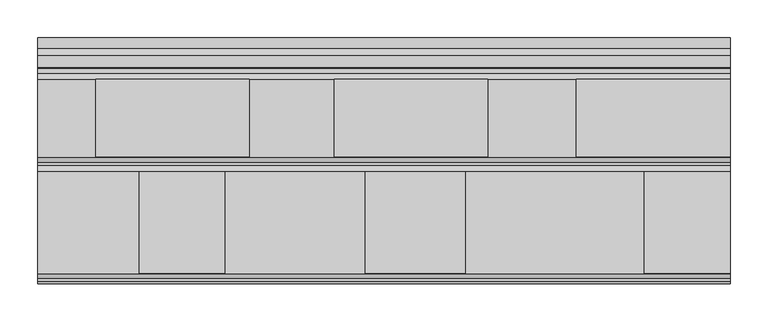
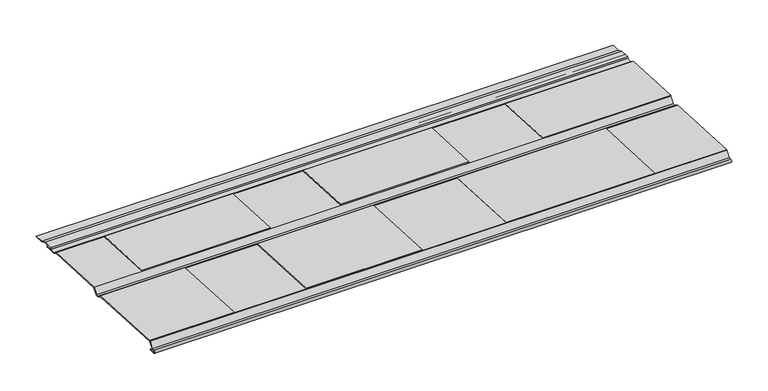
"""IFC4 building model written with IfcOpenShell, lengths in millimetres: proxy geometry."""

from ifc_helpers import new_model, si_unit, frame, origin, place, context, project, spatial, polyline, circle_curve, outline, extrude, source, transform, mapped, element, save
from ifc_brep_helpers import plane_surface, cylinder_surface, revolved_surface, advanced_brep


def generic_models_b10770b0(model_context):
    return source(origin(), model_context, "Body", "SolidModel", [
        advanced_brep(
        [(279.4, -442.6412368, 7.2583953), (76.2, -442.6412368, 7.2583953), (76.2, -545.4689318, 12.6444003), (279.4, -545.4689318, 12.6444003), (594.5196172, -442.6412368, 7.2583953), (391.3196172, -442.6412368, 7.2583953), (391.3196172, -545.4689318, 12.6444003), (594.5196172, -545.4689318, 12.6444003), (914.4, -442.6412368, 7.2583953), (711.2, -442.6412368, 7.2583953), (711.2, -545.4689318, 12.6444003), (914.4, -545.4689318, 12.6444003), (279.4, -545.5430903, 11.2285931), (279.4, -442.7153953, 5.8425881), (76.2, -545.5430903, 11.2285931), (76.2, -442.7153953, 5.8425881), (594.5196172, -545.5430903, 11.2285931), (594.5196172, -442.7153953, 5.8425881), (391.3196172, -545.5430903, 11.2285931), (391.3196172, -442.7153953, 5.8425881), (914.4, -545.5430903, 11.2285931), (914.4, -545.965628, 11.2507251), (914.4, -552.8205892, 2.4762546), (914.4, -556.6029159, 2.5421665), (914.4, -564.398702, 6.8631481), (914.4, -699.0218054, 13.9145627), (914.4, -699.7134657, 13.5920119), (914.4, -706.0769005, 5.1469434), (914.4, -709.7670825, 5.2112495), (914.4, -709.8555946, 0.1320207), (914.4, -699.6971369, -0.0450035), (914.4, -699.682975, 0.7676731), (914.4, -709.8414327, 0.9446973), (914.4, -709.7812444, 4.3985729), (914.4, -706.5051418, 4.3414826), (914.4, -705.1785279, 4.9885627), (914.4, -699.0643207, 13.1028754), (914.4, -564.6286101, 6.0612762), (914.4, -557.1741966, 1.9295077), (914.4, -556.4144548, 1.7259589), (914.4, -553.2399368, 1.6706388), (914.4, -551.9305938, 2.2952096), (914.4, -545.5856056, 10.4169058), (914.4, -442.7579106, 5.0309008), (914.4, -435.1131261, 0.793615), (914.4, -418.5305362, 0.504642), (914.4, -416.9285365, 2.0517642), (914.4, -416.8931316, 4.0834557), (914.4, -411.6615259, 3.9922883), (914.4, -401.9086423, 0.2488289), (914.4, -387.6541694, 0.0004263), (914.4, -387.6400074, 0.8131029), (914.4, -401.7511835, 1.0590084), (914.4, -411.5040672, 4.8024677), (914.4, -426.9866351, 5.0722715), (914.4, -427.0229251, 2.9897876), (914.4, -418.4898206, 2.8410873), (914.4, -418.5163742, 1.3173186), (914.4, -434.8963411, 1.6027607), (914.4, -442.5280025, 5.8327727), (914.4, -442.7153953, 5.8425881), (711.2, -545.5430903, 11.2285931), (711.2, -442.7153953, 5.8425881), (0.0, -442.5280025, 5.8327727), (0.0, -434.8963411, 1.6027607), (0.0, -418.5163742, 1.3173186), (0.0, -418.4898206, 2.8410873), (0.0, -427.0229251, 2.9897876), (0.0, -426.9866351, 5.0722715), (0.0, -411.5040672, 4.8024677), (0.0, -401.7511835, 1.0590084), (0.0, -387.6400074, 0.8131029), (0.0, -387.6541694, 0.0004263), (0.0, -401.9086423, 0.2488289), (0.0, -411.6615259, 3.9922883), (0.0, -416.8931316, 4.0834557), (0.0, -416.9285365, 2.0517642), (0.0, -418.5305362, 0.504642), (0.0, -435.1131261, 0.793615), (0.0, -442.7579106, 5.0309008), (0.0, -545.5856056, 10.4169058), (0.0, -551.9305938, 2.2952096), (0.0, -553.2399368, 1.6706388), (0.0, -556.4144548, 1.7259589), (0.0, -557.1741966, 1.9295077), (0.0, -564.6286101, 6.0612762), (0.0, -699.0643207, 13.1028754), (0.0, -705.1785279, 4.9885627), (0.0, -706.5051418, 4.3414826), (0.0, -709.7812444, 4.3985729), (0.0, -709.8414327, 0.9446973), (0.0, -699.682975, 0.7676731), (0.0, -699.6971369, -0.0450035), (0.0, -709.8555946, 0.1320207), (0.0, -709.7670825, 5.2112495), (0.0, -706.0769005, 5.1469434), (0.0, -699.7134657, 13.5920119), (0.0, -699.0218054, 13.9145627), (0.0, -564.398702, 6.8631481), (0.0, -556.6029159, 2.5421665), (0.0, -552.8205892, 2.4762546), (0.0, -545.965628, 11.2507251)],
        [
            (0, 1),
            (1, 2),
            (2, 3),
            (3, 0),
            (4, 5),
            (5, 6),
            (6, 7),
            (7, 4),
            (8, 9),
            (9, 10),
            (10, 11),
            (11, 8),
            (3, 12),
            (12, 13),
            (13, 0),
            (2, 14),
            (14, 12),
            (1, 15),
            (15, 14),
            (13, 15),
            (7, 16),
            (16, 17),
            (17, 4),
            (6, 18),
            (18, 16),
            (5, 19),
            (19, 18),
            (17, 19),
            (11, 20),
            (20, 21),
            (21, 22),
            (22, 23),
            (23, 24),
            (24, 25),
            (25, 26, circle_curve(frame((914.4, -699.0643207, 13.1028754), z_axis=(1.0, 0.0, 0.0), x_axis=(0.0, -0.9423352200993095, 0.3346704841487908)), 0.8128)),
            (26, 27),
            (27, 28),
            (28, 29, circle_curve(frame((914.4, -709.8113385, 2.6716351), z_axis=(1.0, 0.0, 0.0), x_axis=(0.0, -0.9423352200993095, 0.3346704841487908)), 2.54)),
            (29, 30),
            (30, 31),
            (31, 32),
            (32, 33, circle_curve(frame((914.4, -709.8113385, 2.6716351), z_axis=(-1.0, 0.0, 0.0), x_axis=(0.0, -0.9423352200993095, 0.3346704841487908)), 1.7272)),
            (33, 34),
            (34, 35, circle_curve(frame((914.4, -706.4768179, 5.9668358), z_axis=(1.0, 0.0, 0.0), x_axis=(0.0, -0.9423352200993095, 0.3346704841487908)), 1.6256)),
            (35, 36),
            (36, 37),
            (37, 38),
            (38, 39, circle_curve(frame((914.4, -556.3861309, 3.3513121), z_axis=(1.0, 0.0, 0.0), x_axis=(0.0, -0.9423352200993095, 0.3346704841487908)), 1.6256)),
            (39, 40),
            (40, 41, circle_curve(frame((914.4, -553.2116129, 3.2959921), z_axis=(1.0, 0.0, 0.0), x_axis=(0.0, -0.9423352200993095, 0.3346704841487908)), 1.6256)),
            (41, 42),
            (42, 43),
            (43, 44),
            (44, 45),
            (45, 46, circle_curve(frame((914.4, -418.5030974, 2.079203), z_axis=(1.0, 0.0, 0.0), x_axis=(0.0, -0.9423352200993095, 0.3346704841487908)), 1.5748)),
            (46, 47),
            (47, 48),
            (48, 49),
            (49, 50),
            (50, 51),
            (51, 52),
            (52, 53),
            (53, 54),
            (54, 55, circle_curve(frame((914.4, -427.0047801, 4.0310295), z_axis=(1.0, 0.0, 0.0), x_axis=(0.0, -0.9423352200993095, 0.3346704841487908)), 1.0414)),
            (55, 56),
            (56, 57, circle_curve(frame((914.4, -418.5030974, 2.079203), z_axis=(-1.0, 0.0, 0.0), x_axis=(0.0, -0.9423352200993095, 0.3346704841487908)), 0.762)),
            (57, 58),
            (58, 59),
            (59, 60),
            (60, 8),
            (10, 61),
            (61, 20),
            (9, 62),
            (62, 61),
            (60, 62),
            (63, 64),
            (64, 65),
            (65, 66, circle_curve(frame((0.0, -418.5030974, 2.079203), z_axis=(1.0, 0.0, 0.0), x_axis=(0.0, -0.9423352200993095, 0.3346704841487908)), 0.762)),
            (66, 67),
            (67, 68, circle_curve(frame((0.0, -427.0047801, 4.0310295), z_axis=(-1.0, 0.0, 0.0), x_axis=(0.0, -0.9423352200993095, 0.3346704841487908)), 1.0414)),
            (68, 69),
            (69, 70),
            (70, 71),
            (71, 72),
            (72, 73),
            (73, 74),
            (74, 75),
            (75, 76),
            (76, 77, circle_curve(frame((0.0, -418.5030974, 2.079203), z_axis=(-1.0, 0.0, 0.0), x_axis=(0.0, -0.9423352200993095, 0.3346704841487908)), 1.5748)),
            (77, 78),
            (78, 79),
            (79, 80),
            (80, 81),
            (81, 82, circle_curve(frame((0.0, -553.2116129, 3.2959921), z_axis=(-1.0, 0.0, 0.0), x_axis=(0.0, -0.9423352200993095, 0.3346704841487908)), 1.6256)),
            (82, 83),
            (83, 84, circle_curve(frame((0.0, -556.3861309, 3.3513121), z_axis=(-1.0, 0.0, 0.0), x_axis=(0.0, -0.9423352200993095, 0.3346704841487908)), 1.6256)),
            (84, 85),
            (85, 86),
            (86, 87),
            (87, 88, circle_curve(frame((0.0, -706.4768179, 5.9668358), z_axis=(-1.0, 0.0, 0.0), x_axis=(0.0, -0.9423352200993095, 0.3346704841487908)), 1.6256)),
            (88, 89),
            (89, 90, circle_curve(frame((0.0, -709.8113385, 2.6716351), z_axis=(1.0, 0.0, 0.0), x_axis=(0.0, -0.9423352200993095, 0.3346704841487908)), 1.7272)),
            (90, 91),
            (91, 92),
            (92, 93),
            (93, 94, circle_curve(frame((0.0, -709.8113385, 2.6716351), z_axis=(-1.0, 0.0, 0.0), x_axis=(0.0, -0.9423352200993095, 0.3346704841487908)), 2.54)),
            (94, 95),
            (95, 96),
            (96, 97, circle_curve(frame((0.0, -699.0643207, 13.1028754), z_axis=(-1.0, 0.0, 0.0), x_axis=(0.0, -0.9423352200993095, 0.3346704841487908)), 0.8128)),
            (97, 98),
            (98, 99),
            (99, 100),
            (100, 101),
            (101, 63),
            (63, 59),
            (58, 64),
            (57, 65),
            (56, 66),
            (55, 67),
            (54, 68),
            (53, 69),
            (52, 70),
            (51, 71),
            (50, 72),
            (49, 73),
            (48, 74),
            (47, 75),
            (46, 76),
            (45, 77),
            (44, 78),
            (43, 79),
            (42, 80),
            (41, 81),
            (40, 82),
            (39, 83),
            (38, 84),
            (37, 85),
            (36, 86),
            (35, 87),
            (34, 88),
            (33, 89),
            (32, 90),
            (31, 91),
            (30, 92),
            (29, 93),
            (28, 94),
            (27, 95),
            (26, 96),
            (25, 97),
            (24, 98),
            (23, 99),
            (22, 100),
            (21, 101),
        ],
        [
            plane_surface(frame((279.4, -442.6412368, 7.2583953), z_axis=(0.0, 0.052307228592566875, 0.9986310398925947), x_axis=(0.0, 0.9986310398925947, -0.052307228592566875))),
            plane_surface(frame((279.4, -442.7153953, 5.8425881), z_axis=(1.0, 0.0, 0.0), x_axis=(0.0, 0.052307228592578865, 0.998631039892594))),
            plane_surface(frame((279.4, -545.5430903, 11.2285931), z_axis=(0.0, -0.998631039892594, 0.052307228592578865), x_axis=(0.0, 0.052307228592578865, 0.998631039892594))),
            plane_surface(frame((76.2, -545.5430903, 11.2285931), z_axis=(-1.0, 0.0, 0.0), x_axis=(0.0, 0.052307228592578865, 0.998631039892594))),
            plane_surface(frame((76.2, -442.7153953, 5.8425881), z_axis=(0.0, 0.998631039892594, -0.052307228592578865), x_axis=(0.0, 0.052307228592578865, 0.998631039892594))),
            plane_surface(frame((594.5196172, -442.7153953, 5.8425881), z_axis=(1.0, 0.0, 0.0), x_axis=(0.0, 0.052307228592531105, 0.9986310398925965))),
            plane_surface(frame((594.5196172, -545.5430903, 11.2285931), z_axis=(0.0, -0.9986310398925965, 0.052307228592531105), x_axis=(0.0, 0.052307228592531105, 0.9986310398925965))),
            plane_surface(frame((391.3196172, -545.5430903, 11.2285931), z_axis=(-1.0, 0.0, 0.0), x_axis=(0.0, 0.052307228592531105, 0.9986310398925965))),
            plane_surface(frame((391.3196172, -442.7153953, 5.8425881), z_axis=(0.0, 0.9986310398925965, -0.052307228592531146), x_axis=(0.0, 0.052307228592531146, 0.9986310398925965))),
            plane_surface(frame((914.4, -442.7153953, 5.8425881), z_axis=(1.0, 0.0, 0.0), x_axis=(0.0, 0.052307228592531105, 0.9986310398925965))),
            plane_surface(frame((914.4, -545.5430903, 11.2285931), z_axis=(0.0, -0.9986310398925965, 0.052307228592531105), x_axis=(0.0, 0.052307228592531105, 0.9986310398925965))),
            plane_surface(frame((711.2, -545.5430903, 11.2285931), z_axis=(-1.0, 0.0, 0.0), x_axis=(0.0, 0.05230722859253119, 0.9986310398925965))),
            plane_surface(frame((711.2, -442.7153953, 5.8425881), z_axis=(0.0, 0.9986310398925965, -0.052307228592531146), x_axis=(0.0, 0.052307228592531146, 0.9986310398925965))),
            plane_surface(frame((0.0, -127.392394, -480.8784473), z_axis=(-1.0, 0.0, 0.0), x_axis=(0.0, 0.3346704841487908, 0.9423352200993095))),
            plane_surface(frame((0.0, -442.5280025, 5.8327727), z_axis=(0.0, 0.4847844598143017, 0.874633653321524), x_axis=(1.0, 0.0, 0.0))),
            plane_surface(frame((0.0, -434.8963411, 1.6027607), z_axis=(0.0, 0.017423643758456994, 0.999848196796983), x_axis=(1.0, 0.0, 0.0))),
            revolved_surface(polyline([(914.4, -419.2211568377157, 2.3342219089213785), (0.0, -419.2211568377157, 2.3342219089213785)]), (0.0, -418.5030974, 2.079203), (1.0, 0.0, 0.0)),
            plane_surface(frame((0.0, -418.4898206, 2.8410873), z_axis=(0.0, -0.017423643758455662, -0.999848196796983), x_axis=(1.0, 0.0, 0.0))),
            cylinder_surface(frame((0.0, -427.0047801, 4.0310295), z_axis=(-1.0, 0.0, 0.0), x_axis=(0.0, -0.9423352200993095, 0.3346704841487908)), 1.0414),
            plane_surface(frame((0.0, -426.9866351, 5.0722715), z_axis=(0.0, 0.017423643758451717, 0.9998481967969831), x_axis=(1.0, 0.0, 0.0))),
            plane_surface(frame((0.0, -411.5040672, 4.8024677), z_axis=(0.0, 0.3583410930394349, 0.9335907353007008), x_axis=(1.0, 0.0, 0.0))),
            plane_surface(frame((0.0, -401.7511835, 1.0590084), z_axis=(0.0, 0.017423643758453497, 0.9998481967969831), x_axis=(1.0, 0.0, 0.0))),
            plane_surface(frame((0.0, -387.6400074, 0.8131029), z_axis=(0.0, 0.9998481967969819, -0.01742364375852155), x_axis=(1.0, 0.0, 0.0))),
            plane_surface(frame((0.0, -387.6541694, 0.0004263), z_axis=(0.0, -0.01742364375845649, -0.999848196796983), x_axis=(1.0, 0.0, 0.0))),
            plane_surface(frame((0.0, -401.9086423, 0.2488289), z_axis=(0.0, -0.35834109303944106, -0.9335907353006984), x_axis=(1.0, 0.0, 0.0))),
            plane_surface(frame((0.0, -411.6615259, 3.9922883), z_axis=(0.0, -0.017423643758454496, -0.999848196796983), x_axis=(1.0, 0.0, 0.0))),
            plane_surface(frame((0.0, -416.8931316, 4.0834557), z_axis=(0.0, 0.9998481967969832, -0.01742364375844561), x_axis=(1.0, 0.0, 0.0))),
            cylinder_surface(frame((0.0, -418.5030974, 2.079203), z_axis=(-1.0, 0.0, 0.0), x_axis=(0.0, -0.9423352200993095, 0.3346704841487908)), 1.5748),
            plane_surface(frame((0.0, -418.5305362, 0.504642), z_axis=(0.0, -0.01742364375845899, -0.999848196796983), x_axis=(1.0, 0.0, 0.0))),
            plane_surface(frame((0.0, -435.1131261, 0.793615), z_axis=(0.0, -0.4847844598142926, -0.874633653321529), x_axis=(1.0, 0.0, 0.0))),
            plane_surface(frame((0.0, -442.7579106, 5.0309008), z_axis=(0.0, -0.052307228592566875, -0.9986310398925947), x_axis=(1.0, 0.0, 0.0))),
            plane_surface(frame((0.0, -545.5856056, 10.4169058), z_axis=(0.0, 0.7880284640469357, -0.6156388063238278), x_axis=(1.0, 0.0, 0.0))),
            cylinder_surface(frame((0.0, -553.2116129, 3.2959921), z_axis=(-1.0, 0.0, 0.0), x_axis=(0.0, -0.9423352200993095, 0.3346704841487908)), 1.6256),
            plane_surface(frame((0.0, -553.2399368, 1.6706388), z_axis=(0.0, -0.017423643758458767, -0.999848196796983), x_axis=(1.0, 0.0, 0.0))),
            cylinder_surface(frame((0.0, -556.3861309, 3.3513121), z_axis=(-1.0, 0.0, 0.0), x_axis=(0.0, -0.9423352200993095, 0.3346704841487908)), 1.6256),
            plane_surface(frame((0.0, -557.1741966, 1.9295077), z_axis=(0.0, -0.48478445981429374, -0.8746336533215284), x_axis=(1.0, 0.0, 0.0))),
            plane_surface(frame((0.0, -564.6286101, 6.0612762), z_axis=(0.0, -0.05230722859256682, -0.9986310398925947), x_axis=(1.0, 0.0, 0.0))),
            plane_surface(frame((0.0, -699.0643207, 13.1028754), z_axis=(0.0, 0.7986528221614891, -0.6017920485130133), x_axis=(1.0, 0.0, 0.0))),
            cylinder_surface(frame((0.0, -706.4768179, 5.9668358), z_axis=(-1.0, 0.0, 0.0), x_axis=(0.0, -0.9423352200993095, 0.3346704841487908)), 1.6256),
            plane_surface(frame((0.0, -706.5051418, 4.3414826), z_axis=(0.0, -0.017423643758457827, -0.999848196796983), x_axis=(1.0, 0.0, 0.0))),
            revolved_surface(polyline([(914.4, -711.4389398921555, 3.2496779602217916), (0.0, -711.4389398921555, 3.2496779602217916)]), (0.0, -709.8113385, 2.6716351), (1.0, 0.0, 0.0)),
            plane_surface(frame((0.0, -709.8414327, 0.9446973), z_axis=(0.0, 0.017423643758456717, 0.999848196796983), x_axis=(1.0, 0.0, 0.0))),
            plane_surface(frame((0.0, -699.682975, 0.7676731), z_axis=(0.0, 0.9998481967969821, -0.017423643758508398), x_axis=(1.0, 0.0, 0.0))),
            plane_surface(frame((0.0, -699.6971369, -0.0450035), z_axis=(0.0, -0.017423643758464096, -0.9998481967969829), x_axis=(1.0, 0.0, 0.0))),
            cylinder_surface(frame((0.0, -709.8113385, 2.6716351), z_axis=(-1.0, 0.0, 0.0), x_axis=(0.0, -0.9423352200993095, 0.3346704841487908)), 2.54),
            plane_surface(frame((0.0, -709.7670825, 5.2112495), z_axis=(0.0, 0.01742364375846121, 0.9998481967969829), x_axis=(1.0, 0.0, 0.0))),
            plane_surface(frame((0.0, -706.0769005, 5.1469434), z_axis=(0.0, -0.7986528221614903, 0.6017920485130117), x_axis=(1.0, 0.0, 0.0))),
            cylinder_surface(frame((0.0, -699.0643207, 13.1028754), z_axis=(-1.0, 0.0, 0.0), x_axis=(0.0, -0.9423352200993095, 0.3346704841487908)), 0.8128),
            plane_surface(frame((0.0, -699.0218054, 13.9145627), z_axis=(0.0, 0.052307228592566764, 0.9986310398925947), x_axis=(1.0, 0.0, 0.0))),
            plane_surface(frame((0.0, -564.398702, 6.8631481), z_axis=(0.0, 0.48478445981429485, 0.8746336533215278), x_axis=(1.0, 0.0, 0.0))),
            plane_surface(frame((0.0, -556.6029159, 2.5421665), z_axis=(0.0, 0.017423643758458767, 0.999848196796983), x_axis=(1.0, 0.0, 0.0))),
            plane_surface(frame((0.0, -552.8205892, 2.4762546), z_axis=(0.0, -0.7880284640469344, 0.6156388063238294), x_axis=(1.0, 0.0, 0.0))),
            plane_surface(frame((0.0, -545.965628, 11.2507251), z_axis=(0.0, 0.052307228592565876, 0.9986310398925947), x_axis=(1.0, 0.0, 0.0))),
        ],
        [
            (0, [[1, 2, 3, 4]]),
            (0, [[5, 6, 7, 8]]),
            (0, [[9, 10, 11, 12]]),
            (1, [[-4, 13, 14, 15]]),
            (2, [[-3, 16, 17, -13]]),
            (3, [[-2, 18, 19, -16]]),
            (4, [[-1, -15, 20, -18]]),
            (5, [[-8, 21, 22, 23]]),
            (6, [[-7, 24, 25, -21]]),
            (7, [[-6, 26, 27, -24]]),
            (8, [[-5, -23, 28, -26]]),
            (9, [[-12, 29, 30, 31, 32, 33, 34, 35, 36, 37, 38, 39, 40, 41, 42, 43, 44, 45, 46, 47, 48, 49, 50, 51, 52, 53, 54, 55, 56, 57, 58, 59, 60, 61, 62, 63, 64, 65, 66, 67, 68, 69, 70]]),
            (10, [[-11, 71, 72, -29]]),
            (11, [[-10, 73, 74, -71]]),
            (12, [[-9, -70, 75, -73]]),
            (13, [[76, 77, 78, 79, 80, 81, 82, 83, 84, 85, 86, 87, 88, 89, 90, 91, 92, 93, 94, 95, 96, 97, 98, 99, 100, 101, 102, 103, 104, 105, 106, 107, 108, 109, 110, 111, 112, 113, 114]]),
            (14, [[-76, 115, -68, 116]]),
            (15, [[-77, -116, -67, 117]]),
            (16, [[-78, -117, -66, 118]]),
            (17, [[-79, -118, -65, 119]]),
            (18, [[-80, -119, -64, 120]]),
            (19, [[-81, -120, -63, 121]]),
            (20, [[-82, -121, -62, 122]]),
            (21, [[-83, -122, -61, 123]]),
            (22, [[-84, -123, -60, 124]]),
            (23, [[-85, -124, -59, 125]]),
            (24, [[-86, -125, -58, 126]]),
            (25, [[-87, -126, -57, 127]]),
            (26, [[-88, -127, -56, 128]]),
            (27, [[-89, -128, -55, 129]]),
            (28, [[-90, -129, -54, 130]]),
            (29, [[-91, -130, -53, 131]]),
            (30, [[-92, -131, -52, 132]]),
            (31, [[-93, -132, -51, 133]]),
            (32, [[-94, -133, -50, 134]]),
            (33, [[-95, -134, -49, 135]]),
            (34, [[-96, -135, -48, 136]]),
            (35, [[-97, -136, -47, 137]]),
            (36, [[-98, -137, -46, 138]]),
            (37, [[-99, -138, -45, 139]]),
            (38, [[-100, -139, -44, 140]]),
            (39, [[-101, -140, -43, 141]]),
            (40, [[-102, -141, -42, 142]]),
            (41, [[-103, -142, -41, 143]]),
            (42, [[-104, -143, -40, 144]]),
            (43, [[-105, -144, -39, 145]]),
            (44, [[-106, -145, -38, 146]]),
            (45, [[-107, -146, -37, 147]]),
            (46, [[-108, -147, -36, 148]]),
            (47, [[-109, -148, -35, 149]]),
            (48, [[-110, -149, -34, 150]]),
            (49, [[-111, -150, -33, 151]]),
            (50, [[-112, -151, -32, 152]]),
            (51, [[-113, -152, -31, 153]]),
            (52, [[-114, -153, -30, -72, -74, -75, -69, -115], [-14, -17, -19, -20], [-22, -25, -27, -28]]),
        ],
    ),
        extrude(outline(polyline([(0.0, 0.0), (135.0309979, 0.0), (135.0309979, -133.35), (0.0, -133.35), (0.0, 0.0)])), frame((133.35, -564.398702, 6.8631481), z_axis=(0.0, 0.052307228592566875, 0.9986310398925947), x_axis=(0.0, -0.9986310398925947, 0.052307228592566875)), (0.0, 0.0, 1.0), 1.417748),
        extrude(outline(polyline([(0.0, 298.45), (135.0309979, 298.45), (135.0309979, 114.3), (0.0, 114.3), (0.0, 298.45)])), frame((133.35, -564.398702, 6.8631481), z_axis=(0.0, 0.052307228592566875, 0.9986310398925947), x_axis=(0.0, -0.9986310398925947, 0.052307228592566875)), (0.0, 0.0, 1.0), 1.417748),
        extrude(outline(polyline([(0.0, 666.75), (135.0309979, 666.75), (135.0309979, 431.8), (0.0, 431.8), (0.0, 666.75)])), frame((133.35, -564.398702, 6.8631481), z_axis=(0.0, 0.052307228592566875, 0.9986310398925947), x_axis=(0.0, -0.9986310398925947, 0.052307228592566875)), (0.0, 0.0, 1.0), 1.417748),
    ])


if __name__ == "__main__":
    model = new_model("IFC4")
    model_context = context("Model", 3, world=origin())
    ifc_project = project(units=[si_unit("LENGTHUNIT", "METRE", prefix="MILLI")], contexts=[model_context])
    site = spatial("IfcSite", under=ifc_project)
    building = spatial("IfcBuilding", under=site)
    placement = place(None, origin())
    generic_models_shape = generic_models_b10770b0(model_context)
    element("IfcBuildingElementProxy", 1, Name="Generic Models", at=placement, inside=building, context=model_context, shape_type="MappedRepresentation", body=[
        mapped(generic_models_shape, transform((0.0, 0.0, 0.0), x_axis=(1.0, 0.0, 0.0), y_axis=(0.0, 1.0, 0.0), z_axis=(0.0, 0.0, 1.0))),
    ])
    save(model, "model.ifc")
